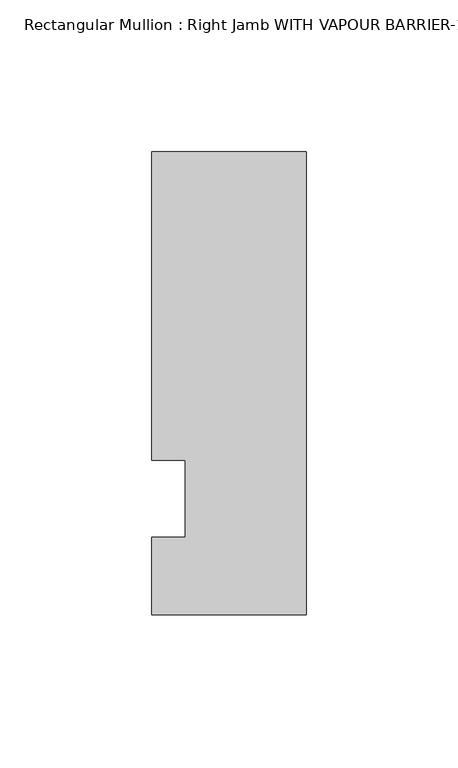
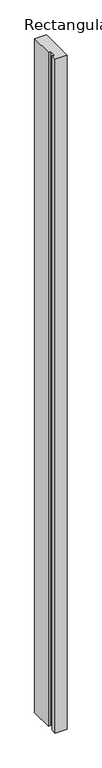
"""IFC4 building model written with IfcOpenShell, lengths in millimetres: member geometry."""

from ifc_helpers import new_model, si_unit, frame, origin, place, context, project, spatial, polyline, outline, extrude, source, transform, mapped, element, save


def member_c4ef3beb(model_context):
    return source(origin(), model_context, "Body", "SweptSolid", [
        extrude(outline(polyline([(-50.8, 109.5375), (0.0, 109.5375), (0.0, -42.8625), (-50.8, -42.8625), (-50.8, -17.4625), (-39.8272, -17.4625), (-39.8272, 7.9375), (-50.8, 7.9375), (-50.8, 109.5375)])), frame((0.0, 0.0, -3048.0), z_axis=(0.0, 0.0, 1.0), x_axis=(1.0, 0.0, 0.0)), (0.0, 0.0, 1.0), 3048.0),
    ])


if __name__ == "__main__":
    model = new_model("IFC4")
    model_context = context("Model", 3, world=origin())
    ifc_project = project(units=[si_unit("LENGTHUNIT", "METRE", prefix="MILLI")], contexts=[model_context])
    site = spatial("IfcSite", under=ifc_project)
    building = spatial("IfcBuilding", under=site)
    placement = place(None, origin())
    member_shape = member_c4ef3beb(model_context)
    element("IfcMember", 1, ObjectType="Rectangular Mullion : Right Jamb WITH VAPOUR BARRIER-1/4\" INFILL-model 5", at=placement, inside=building, context=model_context, shape_type="MappedRepresentation", body=[
        mapped(member_shape, transform((0.0, 0.0, 0.0), x_axis=(1.0, 0.0, 0.0), y_axis=(0.0, 1.0, 0.0), z_axis=(0.0, 0.0, 1.0))),
    ])
    save(model, "model.ifc")
